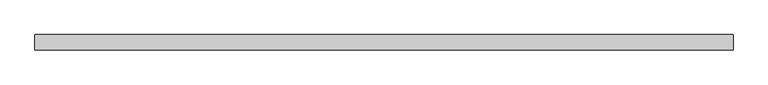
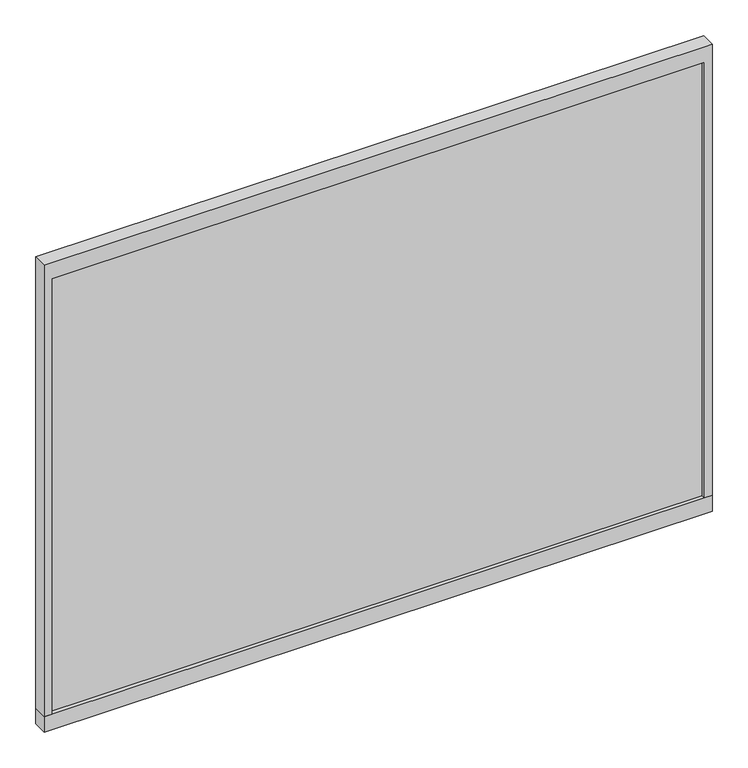
"""IFC4 building model written with IfcOpenShell, lengths in millimetres: furniture geometry."""

from ifc_helpers import new_model, si_unit, frame, origin, place, context, project, spatial, polyline, outline, extrude, source, transform, mapped, element, save


def furniture_ac668495(model_context):
    return source(origin(), model_context, "Body", "SweptSolid", [
        extrude(outline(polyline([(1100.137525, 5.1435002), (1100.137525, 0.0), (42.8625, 0.0), (42.8625, 5.1435002), (1100.137525, 5.1435002)])), frame((0.0, 0.0, 1500.2002006), z_axis=(0.0, 0.0, 1.0), x_axis=(1.0, 0.0, 0.0)), (0.0, 0.0, 1.0), 746.0995579),
        extrude(outline(polyline([(1100.137525, -5.1435002), (42.8625, -5.1435002), (42.8625, 0.0), (1100.137525, 0.0), (1100.137525, -5.1435002)])), frame((0.0, 0.0, 1500.2002006), z_axis=(0.0, 0.0, 1.0), x_axis=(1.0, 0.0, 0.0)), (0.0, 0.0, 1.0), 746.0995579),
        extrude(outline(polyline([(1500.2002006, 1112.8375242), (2273.3, 1112.8375242), (2273.3, 30.1625008), (1500.2002006, 30.1625008), (1500.2002006, 42.8625), (2246.2997585, 42.8625), (2246.2997585, 1100.137525), (1500.2002006, 1100.137525), (1500.2002006, 1112.8375242)])), frame((0.0, -11.938, 0.0), z_axis=(0.0, 1.0, 0.0), x_axis=(0.0, 0.0, 1.0)), (0.0, 0.0, 1.0), 23.876),
        extrude(outline(polyline([(30.1625008, -11.938), (30.1625008, 11.938), (1112.8375242, 11.938), (1112.8375242, -11.938), (30.1625008, -11.938)])), frame((0.0, 0.0, 1473.2), z_axis=(0.0, 0.0, 1.0), x_axis=(1.0, 0.0, 0.0)), (0.0, 0.0, 1.0), 27.0002006),
    ])


if __name__ == "__main__":
    model = new_model("IFC4")
    model_context = context("Model", 3, world=origin())
    ifc_project = project(units=[si_unit("LENGTHUNIT", "METRE", prefix="MILLI")], contexts=[model_context])
    site = spatial("IfcSite", under=ifc_project)
    building = spatial("IfcBuilding", under=site)
    placement = place(None, origin())
    furniture_shape = furniture_ac668495(model_context)
    element("IfcFurniture", 1, at=placement, inside=building, context=model_context, shape_type="MappedRepresentation", body=[
        mapped(furniture_shape, transform((0.0, 0.0, 0.0), x_axis=(1.0, 0.0, 0.0), y_axis=(0.0, 1.0, 0.0), z_axis=(0.0, 0.0, 1.0))),
    ])
    save(model, "model.ifc")
